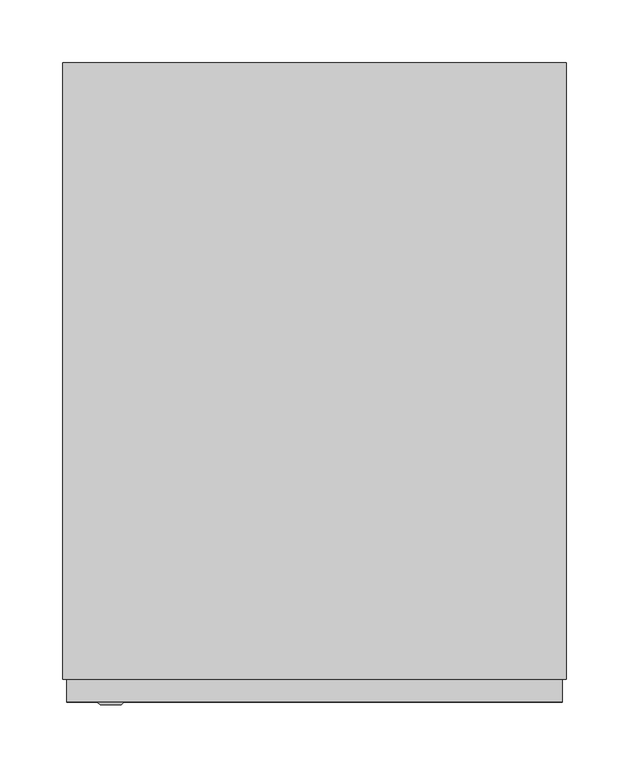
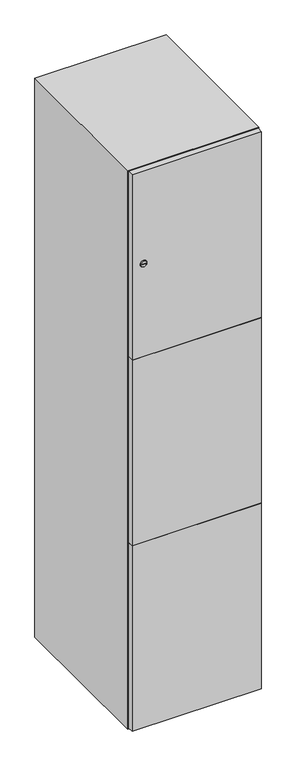
"""IFC4 building model written with IfcOpenShell, lengths in millimetres: furniture geometry."""

from ifc_helpers import new_model, si_unit, point, frame, frame_2d, origin, place, context, project, spatial, polyline, circle_curve, trimmed, segment, composite_curve, outline, extrude, faceted_brep, source, transform, mapped, element, save
from ifc_brep_helpers import plane_surface, revolved_surface, advanced_brep


def furniture_77b3fe7e(model_context):
    return source(origin(), model_context, "Body", "SolidModel", [
        extrude(outline(composite_curve([segment(trimmed(circle_curve(frame_2d((1598.0, -188.7989466)), 7.0), [point((1605.0, -188.7989466))], [point((1591.0, -188.7989466))], False, "CARTESIAN"), True, "CONTINUOUS"), segment(polyline([(1591.0, -188.7989466), (1591.0, -160.7989466)]), True, "CONTINUOUS"), segment(trimmed(circle_curve(frame_2d((1598.0, -160.7989466)), 7.0), [point((1591.0, -160.7989466))], [point((1605.0, -160.7989466))], False, "CARTESIAN"), True, "CONTINUOUS"), segment(polyline([(1605.0, -160.7989466), (1605.0, -188.7989466)]), True, "CONTINUOUS")], self_intersect=False)), frame((0.0, -245.0, 0.0), z_axis=(0.0, 1.0, 0.0), x_axis=(0.0, 0.0, 1.0)), (0.0, 0.0, 1.0), 2.0),
        advanced_brep(
        [(-153.5, -265.2, 1598.0), (-170.5, -265.2, 1598.0), (-167.0, -265.2, 1596.75), (-167.0, -265.2, 1599.25), (-157.0, -265.2, 1599.25), (-157.0, -265.2, 1596.75), (-151.5, -263.0, 1598.0), (-172.5, -263.0, 1598.0), (-167.0, -263.0, 1599.25), (-167.0, -263.0, 1596.75), (-157.0, -263.0, 1596.75), (-157.0, -263.0, 1599.25)],
        [
            (0, 1, circle_curve(frame((-162.0, -265.2, 1598.0), z_axis=(0.0, -1.0, 0.0), x_axis=(1.0, 0.0, 0.0)), 8.5)),
            (1, 0, circle_curve(frame((-162.0, -265.2, 1598.0), z_axis=(0.0, -1.0, 0.0), x_axis=(-1.0, 0.0, 0.0)), 8.5)),
            (2, 3),
            (3, 4),
            (4, 5),
            (5, 2),
            (6, 7, circle_curve(frame((-162.0, -263.0, 1598.0), z_axis=(0.0, 1.0, 0.0), x_axis=(-1.0, 0.0, 0.0)), 10.5)),
            (7, 6, circle_curve(frame((-162.0, -263.0, 1598.0), z_axis=(0.0, 1.0, 0.0), x_axis=(1.0, 0.0, 0.0)), 10.5)),
            (8, 9),
            (9, 10),
            (10, 11),
            (11, 8),
            (0, 6),
            (7, 1),
            (8, 3),
            (2, 9),
            (11, 4),
            (10, 5),
        ],
        [
            plane_surface(frame((-162.0, -265.2, 1598.0), z_axis=(0.0, -1.0, 0.0), x_axis=(0.0, 0.0, 1.0))),
            plane_surface(frame((-162.0, -263.0, 1598.0), z_axis=(0.0, 1.0, 0.0), x_axis=(0.0, 0.0, 1.0))),
            revolved_surface(polyline([(-153.5, -265.2, 1598.0), (-151.5, -263.0, 1598.0)]), (-162.0, -274.55, 1598.0), (0.0, 1.0, 0.0)),
            revolved_surface(polyline([(-170.5, -265.2, 1598.0), (-172.5, -263.0, 1598.0)]), (-162.0, -274.55, 1598.0), (0.0, 1.0, 0.0)),
            plane_surface(frame((-167.0, -263.0, 1596.75), z_axis=(1.0, 0.0, 0.0), x_axis=(0.0, -1.0, 0.0))),
            plane_surface(frame((-167.0, -263.0, 1599.25), z_axis=(0.0, 0.0, -1.0), x_axis=(0.0, -1.0, 0.0))),
            plane_surface(frame((-157.0, -263.0, 1599.25), z_axis=(-1.0, 0.0, 0.0), x_axis=(0.0, -1.0, 0.0))),
            plane_surface(frame((-157.0, -263.0, 1596.75), z_axis=(0.0, 0.0, 1.0), x_axis=(0.0, -1.0, 0.0))),
        ],
        [
            (0, [[1, 2], [3, 4, 5, 6]]),
            (1, [[7, 8], [9, 10, 11, 12]]),
            (2, [[-1, 13, -8, 14]]),
            (3, [[-2, -14, -7, -13]]),
            (4, [[15, -3, 16, -9]]),
            (5, [[-15, -12, 17, -4]]),
            (6, [[-17, -11, 18, -5]]),
            (7, [[-16, -6, -18, -10]]),
        ],
    ),
        extrude(outline(polyline([(197.0, -245.0), (197.0, -263.0), (-197.0, -263.0), (-197.0, -245.0), (197.0, -245.0)])), frame((0.0, 0.0, 701.5), z_axis=(0.0, 0.0, 1.0), x_axis=(1.0, 0.0, 0.0)), (0.0, 0.0, 1.0), 597.0),
        extrude(outline(polyline([(-197.0, -263.0), (-197.0, -245.0), (197.0, -245.0), (197.0, -263.0), (-197.0, -263.0)])), frame((0.0, 0.0, 1299.5), z_axis=(0.0, 0.0, 1.0), x_axis=(1.0, 0.0, 0.0)), (0.0, 0.0, 1.0), 597.5),
        extrude(outline(polyline([(197.0, -245.0), (197.0, -263.0), (-197.0, -263.0), (-197.0, -245.0), (197.0, -245.0)])), frame((0.0, 0.0, 103.0), z_axis=(0.0, 0.0, 1.0), x_axis=(1.0, 0.0, 0.0)), (0.0, 0.0, 1.0), 597.5),
        extrude(outline(polyline([(182.0, 227.0), (182.0, -227.0), (-182.0, -227.0), (-182.0, 227.0), (182.0, 227.0)])), frame((0.0, 0.0, 1285.0), z_axis=(0.0, 0.0, 1.0), x_axis=(1.0, 0.0, 0.0)), (0.0, 0.0, 1.0), 18.0),
        extrude(outline(polyline([(-182.0, 227.0), (182.0, 227.0), (182.0, -227.0), (-182.0, -227.0), (-182.0, 227.0)])), frame((0.0, 0.0, 697.0), z_axis=(0.0, 0.0, 1.0), x_axis=(1.0, 0.0, 0.0)), (0.0, 0.0, 1.0), 18.0),
        faceted_brep([(200.0, -245.0, 100.0), (200.0, -245.0, 1900.0), (-200.0, -245.0, 1900.0), (-200.0, -245.0, 100.0), (182.0, -245.0, 1882.0), (182.0, -245.0, 118.0), (-182.0, -245.0, 118.0), (-182.0, -245.0, 1882.0), (200.0, 245.0, 100.0), (-200.0, 245.0, 100.0), (200.0, 245.0, 1900.0), (-200.0, 245.0, 1900.0), (182.0, 227.0, 1882.0), (182.0, 227.0, 118.0), (-200.0, 245.0, 1882.0), (-182.0, 227.0, 1882.0), (-182.0, 227.0, 118.0)], [[[0, 1, 2, 3], [4, 5, 6, 7]], [[8, 0, 3, 9]], [[1, 0, 8, 10]], [[1, 10, 11, 2]], [[4, 12, 13, 5]], [[9, 3, 2, 11, 14]], [[10, 8, 9, 14, 11]], [[12, 15, 16, 13]], [[15, 7, 6, 16]], [[4, 7, 15, 12]], [[6, 5, 13, 16]]]),
    ])


if __name__ == "__main__":
    model = new_model("IFC4")
    model_context = context("Model", 3, world=origin())
    ifc_project = project(units=[si_unit("LENGTHUNIT", "METRE", prefix="MILLI")], contexts=[model_context])
    site = spatial("IfcSite", under=ifc_project)
    building = spatial("IfcBuilding", under=site)
    placement = place(None, origin())
    furniture_shape = furniture_77b3fe7e(model_context)
    element("IfcFurniture", 1, at=placement, inside=building, context=model_context, shape_type="MappedRepresentation", body=[
        mapped(furniture_shape, transform((0.0, 0.0, 0.0), x_axis=(1.0, 0.0, 0.0), y_axis=(0.0, 1.0, 0.0), z_axis=(0.0, 0.0, 1.0))),
    ])
    save(model, "model.ifc")
